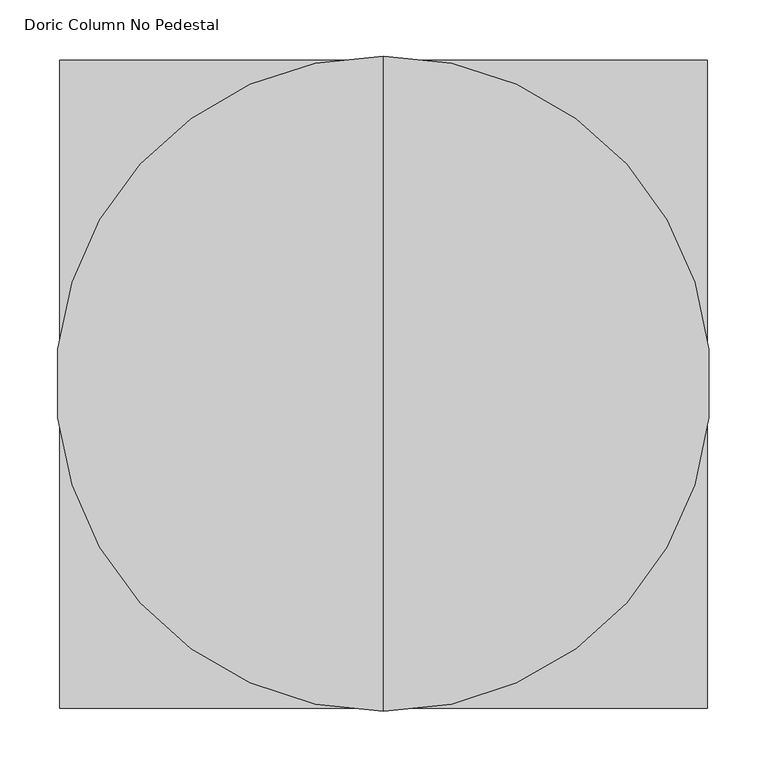
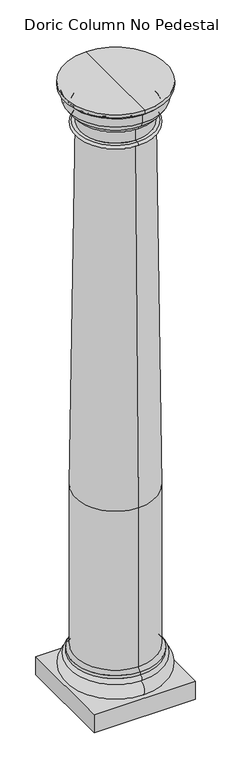
"""IFC4 building model written with IfcOpenShell, lengths in millimetres: column geometry, Doric Column No Pedestal."""

from ifc_helpers import new_model, si_unit, point, frame, origin, place, context, project, spatial, polyline, circle_curve, ellipse_curve, trimmed, outline, extrude, source, transform, mapped, element, save
from ifc_brep_helpers import plane_surface, cylinder_surface, revolved_surface, advanced_brep


def doric_column_no_pedestal_ad2a6d06(model_context):
    return source(origin(), model_context, "Body", "SolidModel", [
        advanced_brep(
        [(0.0, -247.65, 139.7), (0.0, 247.65, 139.7), (0.0, 228.6, 158.75), (0.0, -228.6, 158.75), (0.0, 228.6, 1117.6), (0.0, -228.6, 1117.6), (0.0, 200.025, 3302.0), (0.0, -200.025, 3302.0), (0.0, -247.65, 120.65), (0.0, 247.65, 120.65), (0.0, -247.65, 88.9), (0.0, 247.65, 88.9), (0.0, -247.65, 6.35), (0.0, 247.65, 6.35), (0.0, 0.0, 6.35), (0.0, -292.1, 3536.9500601), (0.0, 292.1, 3536.9500601), (0.0, 292.1, 3556.0), (0.0, -292.1, 3556.0), (0.0, 0.0, 3556.0), (0.0, -273.0499399, 3517.9), (0.0, 273.0499399, 3517.9), (0.0, -269.875, 3517.9), (0.0, 269.875, 3517.9), (0.0, -269.875, 3467.1), (0.0, 269.875, 3467.1), (0.0, -263.525, 3467.1), (0.0, 263.525, 3467.1), (0.0, -219.075, 3422.65), (0.0, 219.075, 3422.65), (0.0, -219.075, 3403.6), (0.0, 219.075, 3403.6), (0.0, -200.025, 3403.6), (0.0, 200.025, 3403.6), (0.0, -200.025, 3321.05), (0.0, 200.025, 3321.05), (0.0, -219.075, 3321.05), (0.0, 219.075, 3321.05), (0.0, -219.075, 3302.0), (0.0, 219.075, 3302.0)],
        [
            (0, 1, circle_curve(frame((0.0, 0.0, 139.7), z_axis=(0.0, 0.0, 1.0), x_axis=(0.0, 1.0, 0.0)), 247.65)),
            (1, 2, circle_curve(frame((0.0, 247.65, 158.75), z_axis=(-1.0, 0.0, 0.0), x_axis=(0.0, -1.0, 0.0)), 19.05)),
            (2, 3, circle_curve(frame((0.0, 0.0, 158.75), z_axis=(0.0, 0.0, -1.0), x_axis=(0.0, 1.0, 0.0)), 228.6)),
            (3, 0, circle_curve(frame((0.0, -247.65, 158.75), z_axis=(-1.0, 0.0, 0.0), x_axis=(0.0, 1.0, 0.0)), 19.05)),
            (2, 4),
            (4, 5, circle_curve(frame((0.0, 0.0, 1117.6), z_axis=(0.0, 0.0, -1.0), x_axis=(0.0, 1.0, 0.0)), 228.6)),
            (5, 3),
            (2, 3, circle_curve(frame((0.0, 0.0, 158.75), z_axis=(0.0, 0.0, 1.0), x_axis=(0.0, 1.0, 0.0)), 228.6)),
            (5, 4, circle_curve(frame((0.0, 0.0, 1117.6), z_axis=(0.0, 0.0, -1.0), x_axis=(0.0, 1.0, 0.0)), 228.6)),
            (4, 6),
            (6, 7, circle_curve(frame((0.0, 0.0, 3302.0), z_axis=(0.0, 0.0, -1.0), x_axis=(0.0, 1.0, 0.0)), 200.025)),
            (7, 5),
            (1, 0, circle_curve(frame((0.0, 0.0, 139.7), z_axis=(0.0, 0.0, 1.0), x_axis=(0.0, 1.0, 0.0)), 247.65)),
            (7, 6, circle_curve(frame((0.0, 0.0, 3302.0), z_axis=(0.0, 0.0, -1.0), x_axis=(0.0, 1.0, 0.0)), 200.025)),
            (8, 9, circle_curve(frame((0.0, 0.0, 120.65), z_axis=(0.0, 0.0, 1.0), x_axis=(0.0, 1.0, 0.0)), 247.65)),
            (9, 1),
            (0, 8),
            (9, 8, circle_curve(frame((0.0, 0.0, 120.65), z_axis=(0.0, 0.0, 1.0), x_axis=(0.0, 1.0, 0.0)), 247.65)),
            (10, 11, circle_curve(frame((0.0, 0.0, 88.9), z_axis=(0.0, 0.0, 1.0), x_axis=(0.0, 1.0, 0.0)), 247.65)),
            (11, 9, circle_curve(frame((0.0, 247.65, 104.775), z_axis=(1.0, 0.0, 0.0), x_axis=(0.0, -1.0, 0.0)), 15.875)),
            (8, 10, circle_curve(frame((0.0, -247.65, 104.775), z_axis=(1.0, 0.0, 0.0), x_axis=(0.0, 1.0, 0.0)), 15.875)),
            (11, 10, circle_curve(frame((0.0, 0.0, 88.9), z_axis=(0.0, 0.0, 1.0), x_axis=(0.0, 1.0, 0.0)), 247.65)),
            (12, 13, circle_curve(frame((0.0, 0.0, 6.35), z_axis=(0.0, 0.0, 1.0), x_axis=(0.0, 1.0, 0.0)), 247.65)),
            (13, 11, circle_curve(frame((0.0, 247.65, 47.625), z_axis=(1.0, 0.0, 0.0), x_axis=(0.0, -1.0, 0.0)), 41.275)),
            (10, 12, circle_curve(frame((0.0, -247.65, 47.625), z_axis=(1.0, 0.0, 0.0), x_axis=(0.0, 1.0, 0.0)), 41.275)),
            (13, 12, circle_curve(frame((0.0, 0.0, 6.35), z_axis=(0.0, 0.0, 1.0), x_axis=(0.0, 1.0, 0.0)), 247.65)),
            (14, 13),
            (12, 14),
            (15, 16, circle_curve(frame((0.0, 0.0, 3536.9500601), z_axis=(0.0, 0.0, 1.0), x_axis=(0.0, 1.0, 0.0)), 292.1)),
            (16, 17),
            (17, 18, circle_curve(frame((0.0, 0.0, 3556.0), z_axis=(0.0, 0.0, -1.0), x_axis=(0.0, 1.0, 0.0)), 292.1)),
            (18, 15),
            (17, 19),
            (19, 18),
            (17, 18, circle_curve(frame((0.0, 0.0, 3556.0), z_axis=(0.0, 0.0, 1.0), x_axis=(0.0, 1.0, 0.0)), 292.1)),
            (16, 15, circle_curve(frame((0.0, 0.0, 3536.9500601), z_axis=(0.0, 0.0, 1.0), x_axis=(0.0, 1.0, 0.0)), 292.1)),
            (20, 21, circle_curve(frame((0.0, 0.0, 3517.9), z_axis=(0.0, 0.0, 1.0), x_axis=(0.0, 1.0, 0.0)), 273.0499399)),
            (21, 16, circle_curve(frame((0.0, 292.1, 3517.9), z_axis=(-1.0, 0.0, 0.0), x_axis=(0.0, -1.0, 0.0)), 19.0500601)),
            (15, 20, circle_curve(frame((0.0, -292.1, 3517.9), z_axis=(-1.0, 0.0, 0.0), x_axis=(0.0, 1.0, 0.0)), 19.0500601)),
            (21, 20, circle_curve(frame((0.0, 0.0, 3517.9), z_axis=(0.0, 0.0, 1.0), x_axis=(0.0, 1.0, 0.0)), 273.0499399)),
            (22, 23, circle_curve(frame((0.0, 0.0, 3517.9), z_axis=(0.0, 0.0, 1.0), x_axis=(0.0, 1.0, 0.0)), 269.875)),
            (23, 21),
            (20, 22),
            (23, 22, circle_curve(frame((0.0, 0.0, 3517.9), z_axis=(0.0, 0.0, 1.0), x_axis=(0.0, 1.0, 0.0)), 269.875)),
            (24, 25, circle_curve(frame((0.0, 0.0, 3467.1), z_axis=(0.0, 0.0, 1.0), x_axis=(0.0, 1.0, 0.0)), 269.875)),
            (25, 23),
            (22, 24),
            (25, 24, circle_curve(frame((0.0, 0.0, 3467.1), z_axis=(0.0, 0.0, 1.0), x_axis=(0.0, 1.0, 0.0)), 269.875)),
            (26, 27, circle_curve(frame((0.0, 0.0, 3467.1), z_axis=(0.0, 0.0, 1.0), x_axis=(0.0, 1.0, 0.0)), 263.525)),
            (27, 25),
            (24, 26),
            (27, 26, circle_curve(frame((0.0, 0.0, 3467.1), z_axis=(0.0, 0.0, 1.0), x_axis=(0.0, 1.0, 0.0)), 263.525)),
            (28, 29, circle_curve(frame((0.0, 0.0, 3422.65), z_axis=(0.0, 0.0, 1.0), x_axis=(0.0, 1.0, 0.0)), 219.075)),
            (29, 27, circle_curve(frame((0.0, 219.075, 3467.1), z_axis=(1.0, 0.0, 0.0), x_axis=(0.0, -1.0, 0.0)), 44.45)),
            (26, 28, circle_curve(frame((0.0, -219.075, 3467.1), z_axis=(1.0, 0.0, 0.0), x_axis=(0.0, 1.0, 0.0)), 44.45)),
            (29, 28, circle_curve(frame((0.0, 0.0, 3422.65), z_axis=(0.0, 0.0, 1.0), x_axis=(0.0, 1.0, 0.0)), 219.075)),
            (30, 31, circle_curve(frame((0.0, 0.0, 3403.6), z_axis=(0.0, 0.0, 1.0), x_axis=(0.0, 1.0, 0.0)), 219.075)),
            (31, 29, circle_curve(frame((0.0, 219.075, 3413.125), z_axis=(1.0, 0.0, 0.0), x_axis=(0.0, -1.0, 0.0)), 9.525)),
            (28, 30, circle_curve(frame((0.0, -219.075, 3413.125), z_axis=(1.0, 0.0, 0.0), x_axis=(0.0, 1.0, 0.0)), 9.525)),
            (31, 30, circle_curve(frame((0.0, 0.0, 3403.6), z_axis=(0.0, 0.0, 1.0), x_axis=(0.0, 1.0, 0.0)), 219.075)),
            (32, 33, circle_curve(frame((0.0, 0.0, 3403.6), z_axis=(0.0, 0.0, 1.0), x_axis=(0.0, 1.0, 0.0)), 200.025)),
            (33, 31),
            (30, 32),
            (33, 32, circle_curve(frame((0.0, 0.0, 3403.6), z_axis=(0.0, 0.0, 1.0), x_axis=(0.0, 1.0, 0.0)), 200.025)),
            (34, 35, circle_curve(frame((0.0, 0.0, 3321.05), z_axis=(0.0, 0.0, 1.0), x_axis=(0.0, 1.0, 0.0)), 200.025)),
            (35, 33),
            (32, 34),
            (35, 34, circle_curve(frame((0.0, 0.0, 3321.05), z_axis=(0.0, 0.0, 1.0), x_axis=(0.0, 1.0, 0.0)), 200.025)),
            (36, 37, circle_curve(frame((0.0, 0.0, 3321.05), z_axis=(0.0, 0.0, 1.0), x_axis=(0.0, 1.0, 0.0)), 219.075)),
            (37, 35),
            (34, 36),
            (37, 36, circle_curve(frame((0.0, 0.0, 3321.05), z_axis=(0.0, 0.0, 1.0), x_axis=(0.0, 1.0, 0.0)), 219.075)),
            (38, 39, circle_curve(frame((0.0, 0.0, 3302.0), z_axis=(0.0, 0.0, 1.0), x_axis=(0.0, 1.0, 0.0)), 219.075)),
            (39, 37, circle_curve(frame((0.0, 219.075, 3311.525), z_axis=(1.0, 0.0, 0.0), x_axis=(0.0, -1.0, 0.0)), 9.525)),
            (36, 38, circle_curve(frame((0.0, -219.075, 3311.525), z_axis=(1.0, 0.0, 0.0), x_axis=(0.0, 1.0, 0.0)), 9.525)),
            (39, 38, circle_curve(frame((0.0, 0.0, 3302.0), z_axis=(0.0, 0.0, 1.0), x_axis=(0.0, 1.0, 0.0)), 219.075)),
            (6, 39),
            (38, 7),
        ],
        [
            revolved_surface(trimmed(ellipse_curve(frame((0.0, 247.65, 158.75), z_axis=(1.0, 0.0, 0.0), x_axis=(0.0, -1.0, 0.0)), 19.05, 19.05), [point((0.0, 228.6, 158.75))], [point((0.0, 247.65, 139.7))], True, "CARTESIAN"), (0.0, 0.0, 3556.0), (0.0, 0.0, -1.0)),
            cylinder_surface(frame((0.0, 0.0, 3556.0), z_axis=(0.0, 0.0, -1.0), x_axis=(0.0, 1.0, 0.0)), 228.6),
            revolved_surface(polyline([(0.0, 200.025, 3302.0), (0.0, 228.6, 1117.6)]), (0.0, 0.0, 3556.0), (0.0, 0.0, -1.0)),
            cylinder_surface(frame((0.0, 0.0, 3556.0), z_axis=(0.0, 0.0, -1.0), x_axis=(0.0, 1.0, 0.0)), 247.65),
            revolved_surface(trimmed(ellipse_curve(frame((0.0, 247.65, 104.775), z_axis=(-1.0, 0.0, 0.0), x_axis=(0.0, -1.0, 0.0)), 15.875, 15.875), [point((0.0, 247.65, 120.65))], [point((0.0, 247.65, 88.9))], True, "CARTESIAN"), (0.0, 0.0, 3556.0), (0.0, 0.0, -1.0)),
            revolved_surface(trimmed(ellipse_curve(frame((0.0, 247.65, 47.625), z_axis=(-1.0, 0.0, 0.0), x_axis=(0.0, -1.0, 0.0)), 41.275, 41.275), [point((0.0, 247.65, 88.9))], [point((0.0, 247.65, 6.35))], True, "CARTESIAN"), (0.0, 0.0, 3556.0), (0.0, 0.0, -1.0)),
            plane_surface(frame((0.0, 0.0, 6.35), z_axis=(0.0, 0.0, -1.0), x_axis=(0.0, 1.0, 0.0))),
            cylinder_surface(frame((0.0, 0.0, 3556.0), z_axis=(0.0, 0.0, -1.0), x_axis=(0.0, 1.0, 0.0)), 292.1),
            plane_surface(frame((0.0, 0.0, 3556.0), z_axis=(0.0, 0.0, 1.0), x_axis=(0.0, 1.0, 0.0))),
            revolved_surface(trimmed(ellipse_curve(frame((0.0, 292.1, 3517.9), z_axis=(1.0, 0.0, 0.0), x_axis=(0.0, -1.0, 0.0)), 19.0500601, 19.0500601), [point((0.0, 292.1, 3536.9500601))], [point((0.0, 273.0499399, 3517.9))], True, "CARTESIAN"), (0.0, 0.0, 3556.0), (0.0, 0.0, -1.0)),
            plane_surface(frame((0.0, 0.0, 3517.9), z_axis=(0.0, 0.0, -1.0), x_axis=(0.0, 1.0, 0.0))),
            cylinder_surface(frame((0.0, 0.0, 3556.0), z_axis=(0.0, 0.0, -1.0), x_axis=(0.0, 1.0, 0.0)), 269.875),
            plane_surface(frame((0.0, 0.0, 3467.1), z_axis=(0.0, 0.0, -1.0), x_axis=(0.0, 1.0, 0.0))),
            revolved_surface(trimmed(ellipse_curve(frame((0.0, 219.075, 3467.1), z_axis=(-1.0, 0.0, 0.0), x_axis=(0.0, -1.0, 0.0)), 44.45, 44.45), [point((0.0, 263.525, 3467.1))], [point((0.0, 219.075, 3422.65))], True, "CARTESIAN"), (0.0, 0.0, 3556.0), (0.0, 0.0, -1.0)),
            revolved_surface(trimmed(ellipse_curve(frame((0.0, 219.075, 3413.125), z_axis=(-1.0, 0.0, 0.0), x_axis=(0.0, -1.0, 0.0)), 9.525, 9.525), [point((0.0, 219.075, 3422.65))], [point((0.0, 219.075, 3403.6))], True, "CARTESIAN"), (0.0, 0.0, 3556.0), (0.0, 0.0, -1.0)),
            plane_surface(frame((0.0, 0.0, 3403.6), z_axis=(0.0, 0.0, -1.0), x_axis=(0.0, 1.0, 0.0))),
            cylinder_surface(frame((0.0, 0.0, 3556.0), z_axis=(0.0, 0.0, -1.0), x_axis=(0.0, 1.0, 0.0)), 200.025),
            plane_surface(frame((0.0, 0.0, 3321.05), z_axis=(0.0, 0.0, 1.0), x_axis=(0.0, 1.0, 0.0))),
            revolved_surface(trimmed(ellipse_curve(frame((0.0, 219.075, 3311.525), z_axis=(-1.0, 0.0, 0.0), x_axis=(0.0, -1.0, 0.0)), 9.525, 9.525), [point((0.0, 219.075, 3321.05))], [point((0.0, 219.075, 3302.0))], True, "CARTESIAN"), (0.0, 0.0, 3556.0), (0.0, 0.0, -1.0)),
            plane_surface(frame((0.0, 0.0, 3302.0), z_axis=(0.0, 0.0, -1.0), x_axis=(0.0, 1.0, 0.0))),
        ],
        [
            (0, [[1, 2, 3, 4]]),
            (1, [[-3, 5, 6, 7]]),
            (1, [[8, -7, 9, -5]]),
            (2, [[-6, 10, 11, 12]]),
            (0, [[13, -4, -8, -2]]),
            (2, [[-9, -12, 14, -10]]),
            (3, [[15, 16, -1, 17]]),
            (3, [[18, -17, -13, -16]]),
            (4, [[19, 20, -15, 21]]),
            (4, [[22, -21, -18, -20]]),
            (5, [[23, 24, -19, 25]]),
            (5, [[26, -25, -22, -24]]),
            (6, [[27, -23, 28]]),
            (6, [[-28, -26, -27]]),
            (7, [[29, 30, 31, 32]]),
            (8, [[-31, 33, 34]]),
            (8, [[35, -34, -33]]),
            (7, [[36, -32, -35, -30]]),
            (9, [[37, 38, -29, 39]]),
            (9, [[40, -39, -36, -38]]),
            (10, [[41, 42, -37, 43]]),
            (10, [[44, -43, -40, -42]]),
            (11, [[45, 46, -41, 47]]),
            (11, [[48, -47, -44, -46]]),
            (12, [[49, 50, -45, 51]]),
            (12, [[52, -51, -48, -50]]),
            (13, [[53, 54, -49, 55]]),
            (13, [[56, -55, -52, -54]]),
            (14, [[57, 58, -53, 59]]),
            (14, [[60, -59, -56, -58]]),
            (15, [[61, 62, -57, 63]]),
            (15, [[64, -63, -60, -62]]),
            (16, [[65, 66, -61, 67]]),
            (16, [[68, -67, -64, -66]]),
            (17, [[69, 70, -65, 71]]),
            (17, [[72, -71, -68, -70]]),
            (18, [[73, 74, -69, 75]]),
            (18, [[76, -75, -72, -74]]),
            (19, [[-11, 77, -73, 78]]),
            (19, [[-14, -78, -76, -77]]),
        ],
    ),
        extrude(outline(polyline([(288.925, 288.925), (288.925, -288.925), (-288.925, -288.925), (-288.925, 288.925), (288.925, 288.925)])), frame((0.0, 0.0, -101.6), z_axis=(0.0, 0.0, 1.0), x_axis=(1.0, 0.0, 0.0)), (0.0, 0.0, 1.0), 107.95),
    ])


if __name__ == "__main__":
    model = new_model("IFC4")
    model_context = context("Model", 3, world=origin())
    ifc_project = project(units=[si_unit("LENGTHUNIT", "METRE", prefix="MILLI")], contexts=[model_context])
    site = spatial("IfcSite", under=ifc_project)
    building = spatial("IfcBuilding", under=site)
    placement = place(None, origin())
    doric_column_no_pedestal_shape = doric_column_no_pedestal_ad2a6d06(model_context)
    element("IfcColumn", 1, ObjectType="Doric Column No Pedestal", at=placement, inside=building, context=model_context, shape_type="MappedRepresentation", body=[
        mapped(doric_column_no_pedestal_shape, transform((0.0, 0.0, 0.0), x_axis=(1.0, 0.0, 0.0), y_axis=(0.0, 1.0, 0.0), z_axis=(0.0, 0.0, 1.0))),
    ])
    save(model, "model.ifc")
